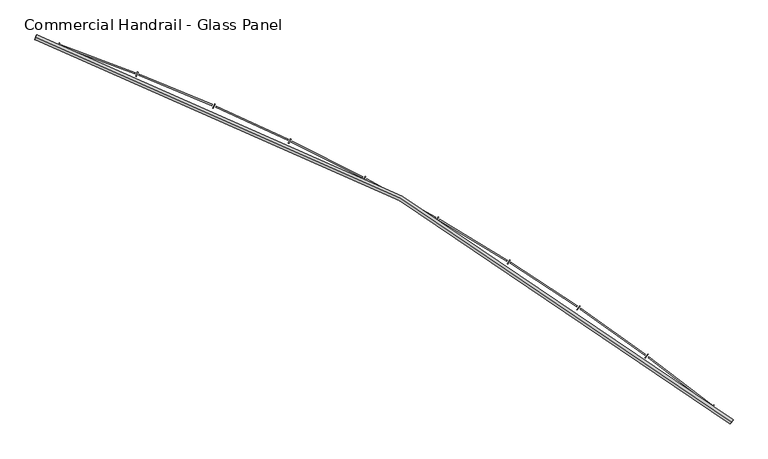
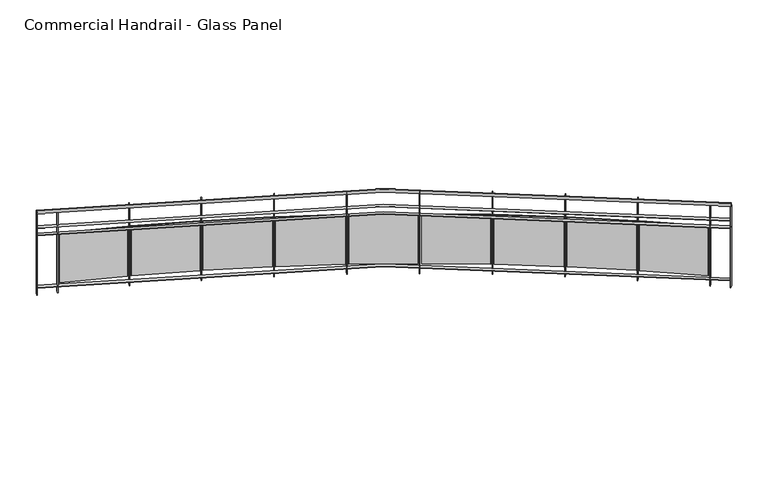
"""IFC4 building model written with IfcOpenShell, lengths in millimetres: railing geometry, Commercial Handrail - Glass Panel."""

from ifc_helpers import new_model, si_unit, point, frame, origin, place, context, project, spatial, polyline, circle_curve, ellipse_curve, trimmed, outline, extrude, source, transform, mapped, element, save
from ifc_brep_helpers import plane_surface, cylinder_surface, revolved_surface, advanced_brep


def commercial_handrail_glass_panel_ac8b1b07(model_context):
    return source(origin(), model_context, "Body", "SolidModel", [
        advanced_brep(
        [(150583.3685507, -40178.0609172, 36682.5), (143915.4015975, -36490.7578825, 36682.5), (143915.4015975, -36490.7578825, 36717.5), (150583.3685507, -40178.0609172, 36717.5)],
        [
            (0, 1, circle_curve(frame((137048.5497623, -56781.179875, 36682.5), z_axis=(0.0, 0.0, 1.0), x_axis=(0.3205678761961466, 0.9472255469269671, 0.0)), 21420.8981782)),
            (1, 2, ellipse_curve(frame((143915.4015975, -36490.7578825, 36700.0), z_axis=(0.9472255469269654, -0.3205678761961524, 0.0), x_axis=(-0.32056787619615235, -0.9472255469269651, 0.0)), 25.0, 17.5)),
            (2, 3, circle_curve(frame((137048.5497623, -56781.179875, 36717.5), z_axis=(0.0, 0.0, -1.0), x_axis=(0.3205678761961466, 0.9472255469269671, 0.0)), 21420.8981782)),
            (3, 0, ellipse_curve(frame((150583.3685507, -40178.0609172, 36700.0), z_axis=(-0.7750897660636332, 0.6318511332136888, 0.0), x_axis=(-0.6318511332136887, -0.775089766063633, 0.0)), 25.0, 17.5)),
            (2, 1, ellipse_curve(frame((143915.4015975, -36490.7578825, 36700.0), z_axis=(0.9472255469269654, -0.3205678761961524, 0.0), x_axis=(-0.32056787619615235, -0.9472255469269651, 0.0)), 25.0, 17.5)),
            (0, 3, ellipse_curve(frame((150583.3685507, -40178.0609172, 36700.0), z_axis=(-0.7750897660636332, 0.6318511332136888, 0.0), x_axis=(-0.6318511332136887, -0.775089766063633, 0.0)), 25.0, 17.5)),
        ],
        [
            revolved_surface(trimmed(ellipse_curve(frame((143915.4015975, -36490.7578825, 36700.0), z_axis=(-0.9472255469269671, 0.3205678761961466, 0.0), x_axis=(0.0, 0.0, -1.0)), 17.5, 25.0), [point((143915.4015975, -36490.7578825, 36717.5))], [point((143915.4015975, -36490.7578825, 36682.5))], True, "CARTESIAN"), (137048.5497623, -56781.179875, 36700.0), (0.0, 0.0, -1.0)),
            revolved_surface(trimmed(ellipse_curve(frame((143915.4015975, -36490.7578825, 36700.0), z_axis=(-0.9472255469269671, 0.3205678761961466, 0.0), x_axis=(0.0, 0.0, -1.0)), 17.5, 25.0), [point((143915.4015975, -36490.7578825, 36682.5))], [point((143915.4015975, -36490.7578825, 36717.5))], True, "CARTESIAN"), (137048.5497623, -56781.179875, 36700.0), (0.0, 0.0, -1.0)),
            plane_surface(frame((143915.4015975, -36490.7578825, 36700.0), z_axis=(-0.9472255469269671, 0.3205678761961466, 0.0), x_axis=(0.3205678761961466, 0.9472255469269671, 0.0))),
            plane_surface(frame((150583.3685507, -40178.0609172, 36700.0), z_axis=(0.7750897660636331, -0.6318511332136886, 0.0), x_axis=(0.6318511332136886, 0.7750897660636331, 0.0))),
        ],
        [
            (0, [[1, 2, 3, 4]]),
            (1, [[-3, 5, -1, 6]]),
            (2, [[-2, -5]]),
            (3, [[-6, -4]]),
        ],
    ),
        advanced_brep(
        [(150597.5852012, -40160.6213975, 36500.0), (143922.6143747, -36469.4453077, 36500.0), (143908.1888203, -36512.0704573, 36500.0), (150569.1519002, -40195.500437, 36500.0), (150597.5852012, -40160.6213975, 36494.0), (143922.6143747, -36469.4453077, 36494.0), (150569.1519002, -40195.500437, 36494.0), (143908.1888203, -36512.0704573, 36494.0)],
        [
            (0, 1, circle_curve(frame((137048.5497623, -56781.179875, 36500.0), z_axis=(0.0, 0.0, 1.0), x_axis=(0.3205678761961466, 0.9472255469269671, 0.0)), 21443.3981782)),
            (1, 2),
            (2, 3, circle_curve(frame((137048.5497623, -56781.179875, 36500.0), z_axis=(0.0, 0.0, -1.0), x_axis=(0.3205678761961466, 0.9472255469269671, 0.0)), 21398.3981782)),
            (3, 0),
            (4, 5, circle_curve(frame((137048.5497623, -56781.179875, 36494.0), z_axis=(0.0, 0.0, 1.0), x_axis=(0.3205678761961466, 0.9472255469269671, 0.0)), 21443.3981782)),
            (5, 1),
            (0, 4),
            (6, 7, circle_curve(frame((137048.5497623, -56781.179875, 36494.0), z_axis=(0.0, 0.0, 1.0), x_axis=(0.3205678761961466, 0.9472255469269671, 0.0)), 21398.3981782)),
            (7, 5),
            (4, 6),
            (2, 7),
            (6, 3),
        ],
        [
            plane_surface(frame((137048.5497623, -56781.179875, 36500.0), z_axis=(0.0, 0.0, 1.0), x_axis=(0.3205678761961466, 0.9472255469269671, 0.0))),
            cylinder_surface(frame((137048.5497623, -56781.179875, 36500.0), z_axis=(0.0, 0.0, -1.0), x_axis=(0.3205678761961466, 0.9472255469269671, 0.0)), 21443.3981782),
            plane_surface(frame((137048.5497623, -56781.179875, 36494.0), z_axis=(0.0, 0.0, -1.0), x_axis=(0.3205678761961466, 0.9472255469269671, 0.0))),
            revolved_surface(polyline([(143908.18882028508, -36512.07045729349, 36494.0), (143908.18882028508, -36512.07045729349, 36500.0)]), (137048.5497623, -56781.179875, 36500.0), (0.0, 0.0, -1.0)),
            plane_surface(frame((143915.4015975, -36490.7578825, 36500.0), z_axis=(-0.9472255469269671, 0.3205678761961466, 0.0), x_axis=(0.3205678761961466, 0.9472255469269671, 0.0))),
            plane_surface(frame((150583.3685507, -40178.0609172, 36500.0), z_axis=(0.7750897660636331, -0.6318511332136886, 0.0), x_axis=(0.6318511332136886, 0.7750897660636331, 0.0))),
        ],
        [
            (0, [[1, 2, 3, 4]]),
            (1, [[5, 6, -1, 7]]),
            (2, [[8, 9, -5, 10]]),
            (3, [[-3, 11, -8, 12]]),
            (4, [[-2, -6, -9, -11]]),
            (5, [[-12, -10, -7, -4]]),
        ],
    ),
        advanced_brep(
        [(150597.5852012, -40160.6213975, 36400.0), (143922.6143747, -36469.4453077, 36400.0), (143908.1888203, -36512.0704573, 36400.0), (150569.1519002, -40195.500437, 36400.0), (150597.5852012, -40160.6213975, 36394.0), (143922.6143747, -36469.4453077, 36394.0), (150569.1519002, -40195.500437, 36394.0), (143908.1888203, -36512.0704573, 36394.0)],
        [
            (0, 1, circle_curve(frame((137048.5497623, -56781.179875, 36400.0), z_axis=(0.0, 0.0, 1.0), x_axis=(0.3205678761961466, 0.9472255469269671, 0.0)), 21443.3981782)),
            (1, 2),
            (2, 3, circle_curve(frame((137048.5497623, -56781.179875, 36400.0), z_axis=(0.0, 0.0, -1.0), x_axis=(0.3205678761961466, 0.9472255469269671, 0.0)), 21398.3981782)),
            (3, 0),
            (4, 5, circle_curve(frame((137048.5497623, -56781.179875, 36394.0), z_axis=(0.0, 0.0, 1.0), x_axis=(0.3205678761961466, 0.9472255469269671, 0.0)), 21443.3981782)),
            (5, 1),
            (0, 4),
            (6, 7, circle_curve(frame((137048.5497623, -56781.179875, 36394.0), z_axis=(0.0, 0.0, 1.0), x_axis=(0.3205678761961466, 0.9472255469269671, 0.0)), 21398.3981782)),
            (7, 5),
            (4, 6),
            (2, 7),
            (6, 3),
        ],
        [
            plane_surface(frame((137048.5497623, -56781.179875, 36400.0), z_axis=(0.0, 0.0, 1.0), x_axis=(0.3205678761961466, 0.9472255469269671, 0.0))),
            cylinder_surface(frame((137048.5497623, -56781.179875, 36400.0), z_axis=(0.0, 0.0, -1.0), x_axis=(0.3205678761961466, 0.9472255469269671, 0.0)), 21443.3981782),
            plane_surface(frame((137048.5497623, -56781.179875, 36394.0), z_axis=(0.0, 0.0, -1.0), x_axis=(0.3205678761961466, 0.9472255469269671, 0.0))),
            revolved_surface(polyline([(143908.18882028508, -36512.07045729349, 36394.0), (143908.18882028508, -36512.07045729349, 36400.0)]), (137048.5497623, -56781.179875, 36400.0), (0.0, 0.0, -1.0)),
            plane_surface(frame((143915.4015975, -36490.7578825, 36400.0), z_axis=(-0.9472255469269671, 0.3205678761961466, 0.0), x_axis=(0.3205678761961466, 0.9472255469269671, 0.0))),
            plane_surface(frame((150583.3685507, -40178.0609172, 36400.0), z_axis=(0.7750897660636331, -0.6318511332136886, 0.0), x_axis=(0.6318511332136886, 0.7750897660636331, 0.0))),
        ],
        [
            (0, [[1, 2, 3, 4]]),
            (1, [[5, 6, -1, 7]]),
            (2, [[8, 9, -5, 10]]),
            (3, [[-3, 11, -8, 12]]),
            (4, [[-2, -6, -9, -11]]),
            (5, [[-12, -10, -7, -4]]),
        ],
    ),
        advanced_brep(
        [(150597.5852012, -40160.6213975, 35700.0), (143922.6143747, -36469.4453077, 35700.0), (143908.1888203, -36512.0704573, 35700.0), (150569.1519002, -40195.500437, 35700.0), (150597.5852012, -40160.6213975, 35694.0), (143922.6143747, -36469.4453077, 35694.0), (150569.1519002, -40195.500437, 35694.0), (143908.1888203, -36512.0704573, 35694.0)],
        [
            (0, 1, circle_curve(frame((137048.5497623, -56781.179875, 35700.0), z_axis=(0.0, 0.0, 1.0), x_axis=(0.3205678761961466, 0.9472255469269671, 0.0)), 21443.3981782)),
            (1, 2),
            (2, 3, circle_curve(frame((137048.5497623, -56781.179875, 35700.0), z_axis=(0.0, 0.0, -1.0), x_axis=(0.3205678761961466, 0.9472255469269671, 0.0)), 21398.3981782)),
            (3, 0),
            (4, 5, circle_curve(frame((137048.5497623, -56781.179875, 35694.0), z_axis=(0.0, 0.0, 1.0), x_axis=(0.3205678761961466, 0.9472255469269671, 0.0)), 21443.3981782)),
            (5, 1),
            (0, 4),
            (6, 7, circle_curve(frame((137048.5497623, -56781.179875, 35694.0), z_axis=(0.0, 0.0, 1.0), x_axis=(0.3205678761961466, 0.9472255469269671, 0.0)), 21398.3981782)),
            (7, 5),
            (4, 6),
            (2, 7),
            (6, 3),
        ],
        [
            plane_surface(frame((137048.5497623, -56781.179875, 35700.0), z_axis=(0.0, 0.0, 1.0), x_axis=(0.3205678761961466, 0.9472255469269671, 0.0))),
            cylinder_surface(frame((137048.5497623, -56781.179875, 35700.0), z_axis=(0.0, 0.0, -1.0), x_axis=(0.3205678761961466, 0.9472255469269671, 0.0)), 21443.3981782),
            plane_surface(frame((137048.5497623, -56781.179875, 35694.0), z_axis=(0.0, 0.0, -1.0), x_axis=(0.3205678761961466, 0.9472255469269671, 0.0))),
            revolved_surface(polyline([(143908.18882028508, -36512.07045729349, 35694.0), (143908.18882028508, -36512.07045729349, 35700.0)]), (137048.5497623, -56781.179875, 35700.0), (0.0, 0.0, -1.0)),
            plane_surface(frame((143915.4015975, -36490.7578825, 35700.0), z_axis=(-0.9472255469269671, 0.3205678761961466, 0.0), x_axis=(0.3205678761961466, 0.9472255469269671, 0.0))),
            plane_surface(frame((150583.3685507, -40178.0609172, 35700.0), z_axis=(0.7750897660636331, -0.6318511332136886, 0.0), x_axis=(0.6318511332136886, 0.7750897660636331, 0.0))),
        ],
        [
            (0, [[1, 2, 3, 4]]),
            (1, [[5, 6, -1, 7]]),
            (2, [[8, 9, -5, 10]]),
            (3, [[-3, 11, -8, 12]]),
            (4, [[-2, -6, -9, -11]]),
            (5, [[-12, -10, -7, -4]]),
        ],
    ),
        extrude(outline(polyline([(150387.8172497, -40049.3121821), (150415.8741434, -40014.1296479), (150420.565148, -40017.8705671), (150392.5082542, -40053.0531013), (150387.8172497, -40049.3121821)])), frame((0.0, 0.0, 35600.0), z_axis=(0.0, 0.0, 1.0), x_axis=(1.0, 0.0, 0.0)), (0.0, 0.0, 1.0), 1082.1192282),
        extrude(outline(polyline([(149791.3308783, -39551.0349259), (150394.2690459, -40013.7071274), (150386.9636954, -40023.2272037), (149784.0255278, -39560.5550022), (149791.3308783, -39551.0349259)])), frame((0.0, 0.0, 35720.0), z_axis=(0.0, 0.0, 1.0), x_axis=(1.0, 0.0, 0.0)), (0.0, 0.0, 1.0), 660.0),
        extrude(outline(polyline([(149753.7807796, -39562.917524), (149780.5044628, -39526.7119338), (149785.3318748, -39530.2750916), (149758.6081917, -39566.4806817), (149753.7807796, -39562.917524)])), frame((0.0, 0.0, 35600.0), z_axis=(0.0, 0.0, 1.0), x_axis=(1.0, 0.0, 0.0)), (0.0, 0.0, 1.0), 1082.1192282),
        extrude(outline(polyline([(149139.1056536, -39087.2593434), (149758.8986545, -39527.0963996), (149751.9538589, -39536.8826049), (149132.160858, -39097.0455487), (149139.1056536, -39087.2593434)])), frame((0.0, 0.0, 35720.0), z_axis=(0.0, 0.0, 1.0), x_axis=(1.0, 0.0, 0.0)), (0.0, 0.0, 1.0), 660.0),
        extrude(outline(polyline([(149102.0254116, -39100.5357023), (149127.3786149, -39063.3575489), (149132.335702, -39066.737976), (149106.9824987, -39103.9161294), (149102.0254116, -39100.5357023)])), frame((0.0, 0.0, 35600.0), z_axis=(0.0, 0.0, 1.0), x_axis=(1.0, 0.0, 0.0)), (0.0, 0.0, 1.0), 1082.1192282),
        extrude(outline(polyline([(148470.0187657, -38648.1599571), (149105.8022278, -39064.5484649), (149099.2276724, -39074.5871511), (148463.4442103, -38658.1986434), (148470.0187657, -38648.1599571)])), frame((0.0, 0.0, 35720.0), z_axis=(0.0, 0.0, 1.0), x_axis=(1.0, 0.0, 0.0)), (0.0, 0.0, 1.0), 660.0),
        extrude(outline(polyline([(148433.4600931, -38662.8115613), (148457.4074585, -38624.712694), (148462.4873075, -38627.9056761), (148438.5399421, -38666.0045433), (148433.4600931, -38662.8115613)])), frame((0.0, 0.0, 35600.0), z_axis=(0.0, 0.0, 1.0), x_axis=(1.0, 0.0, 0.0)), (0.0, 0.0, 1.0), 1082.1192282),
        extrude(outline(polyline([(147785.0033328, -38234.3491413), (148435.8905832, -38626.7083992), (148429.695437, -38636.9855663), (147778.8081866, -38244.6263084), (147785.0033328, -38234.3491413)])), frame((0.0, 0.0, 35720.0), z_axis=(0.0, 0.0, 1.0), x_axis=(1.0, 0.0, 0.0)), (0.0, 0.0, 1.0), 660.0),
        extrude(outline(polyline([(147749.0172148, -38250.3555574), (147771.5253451, -38211.3891094), (147776.7208715, -38214.3901934), (147754.2127412, -38253.3566414), (147749.0172148, -38250.3555574)])), frame((0.0, 0.0, 35600.0), z_axis=(0.0, 0.0, 1.0), x_axis=(1.0, 0.0, 0.0)), (0.0, 0.0, 1.0), 1082.1192282),
        extrude(outline(polyline([(147085.0146873, -37846.4040024), (147750.0979893, -38214.1868206), (147744.2908922, -38224.6881359), (147079.2075902, -37856.9053177), (147085.0146873, -37846.4040024)])), frame((0.0, 0.0, 35720.0), z_axis=(0.0, 0.0, 1.0), x_axis=(1.0, 0.0, 0.0)), (0.0, 0.0, 1.0), 660.0),
        extrude(outline(polyline([(147049.6513106, -37863.7429077), (147070.6888157, -37823.9632221), (147075.9927737, -37826.7682228), (147054.9552687, -37866.5479084), (147049.6513106, -37863.7429077)])), frame((0.0, 0.0, 35600.0), z_axis=(0.0, 0.0, 1.0), x_axis=(1.0, 0.0, 0.0)), (0.0, 0.0, 1.0), 1082.1192282),
        extrude(outline(polyline([(146371.0290434, -37484.8655743), (147049.3808623, -37827.5590376), (147043.9699129, -37838.2698558), (146365.618094, -37495.5763925), (146371.0290434, -37484.8655743)])), frame((0.0, 0.0, 35720.0), z_axis=(0.0, 0.0, 1.0), x_axis=(1.0, 0.0, 0.0)), (0.0, 0.0, 1.0), 660.0),
        extrude(outline(polyline([(146336.3377264, -37503.5127878), (146355.8752669, -37462.975342), (146361.2802597, -37465.5803474), (146341.7427192, -37506.1177932), (146336.3377264, -37503.5127878)])), frame((0.0, 0.0, 35600.0), z_axis=(0.0, 0.0, 1.0), x_axis=(1.0, 0.0, 0.0)), (0.0, 0.0, 1.0), 1082.1192282),
        extrude(outline(polyline([(145644.0421358, -37150.2380638), (146334.7164324, -37467.364247), (146329.7091769, -37478.2696306), (145639.0348803, -37161.1434474), (145644.0421358, -37150.2380638)])), frame((0.0, 0.0, 35720.0), z_axis=(0.0, 0.0, 1.0), x_axis=(1.0, 0.0, 0.0)), (0.0, 0.0, 1.0), 660.0),
        extrude(outline(polyline([(145610.0712594, -37170.1675797), (145628.0815881, -37128.9289078), (145633.5800777, -37131.3302849), (145615.569749, -37172.5689569), (145610.0712594, -37170.1675797)])), frame((0.0, 0.0, 35600.0), z_axis=(0.0, 0.0, 1.0), x_axis=(1.0, 0.0, 0.0)), (0.0, 0.0, 1.0), 1082.1192282),
        extrude(outline(polyline([(144905.0678309, -36842.9881472), (145607.1013808, -37134.1047815), (145602.5048024, -37145.1895217), (144900.4712525, -36854.0728874), (144905.0678309, -36842.9881472)])), frame((0.0, 0.0, 35720.0), z_axis=(0.0, 0.0, 1.0), x_axis=(1.0, 0.0, 0.0)), (0.0, 0.0, 1.0), 660.0),
        extrude(outline(polyline([(144871.8647714, -36864.1721715), (144888.3227707, -36822.2897855), (144893.9070889, -36824.4841854), (144877.4490896, -36866.3665714), (144871.8647714, -36864.1721715)])), frame((0.0, 0.0, 35600.0), z_axis=(0.0, 0.0, 1.0), x_axis=(1.0, 0.0, 0.0)), (0.0, 0.0, 1.0), 1082.1192282),
        extrude(outline(polyline([(144155.1367129, -36563.5443196), (144867.5504501, -36828.2454095), (144863.3709592, -36839.4940475), (144150.957222, -36574.7929575), (144155.1367129, -36563.5443196)])), frame((0.0, 0.0, 35720.0), z_axis=(0.0, 0.0, 1.0), x_axis=(1.0, 0.0, 0.0)), (0.0, 0.0, 1.0), 660.0),
        extrude(outline(polyline([(144122.7477757, -36585.9533088), (144137.6304932, -36543.4856185), (144143.2928519, -36545.4699808), (144128.4101344, -36587.9376712), (144122.7477757, -36585.9533088)])), frame((0.0, 0.0, 35600.0), z_axis=(0.0, 0.0, 1.0), x_axis=(1.0, 0.0, 0.0)), (0.0, 0.0, 1.0), 1082.1192282),
        extrude(outline(polyline([(150566.8266309, -40193.6048836), (150595.2599319, -40158.7258441), (150599.9104705, -40162.5169509), (150571.4771695, -40197.3959904), (150566.8266309, -40193.6048836)])), frame((0.0, 0.0, 35600.0), z_axis=(0.0, 0.0, 1.0), x_axis=(1.0, 0.0, 0.0)), (0.0, 0.0, 1.0), 1082.1192282),
        extrude(outline(polyline([(143905.3471437, -36511.1087537), (143919.7726981, -36468.4836041), (143925.4560514, -36470.4070113), (143911.030497, -36513.032161), (143905.3471437, -36511.1087537)])), frame((0.0, 0.0, 35600.0), z_axis=(0.0, 0.0, 1.0), x_axis=(1.0, 0.0, 0.0)), (0.0, 0.0, 1.0), 1082.1192282),
    ])


if __name__ == "__main__":
    model = new_model("IFC4")
    model_context = context("Model", 3, world=origin())
    ifc_project = project(units=[si_unit("LENGTHUNIT", "METRE", prefix="MILLI")], contexts=[model_context])
    site = spatial("IfcSite", under=ifc_project)
    building = spatial("IfcBuilding", under=site)
    placement = place(None, origin())
    commercial_handrail_glass_panel_shape = commercial_handrail_glass_panel_ac8b1b07(model_context)
    element("IfcRailing", 1, ObjectType="Commercial Handrail - Glass Panel", at=placement, inside=building, context=model_context, shape_type="MappedRepresentation", body=[
        mapped(commercial_handrail_glass_panel_shape, transform((0.0, 0.0, 0.0), x_axis=(1.0, 0.0, 0.0), y_axis=(0.0, 1.0, 0.0), z_axis=(0.0, 0.0, 1.0))),
    ])
    save(model, "model.ifc")
